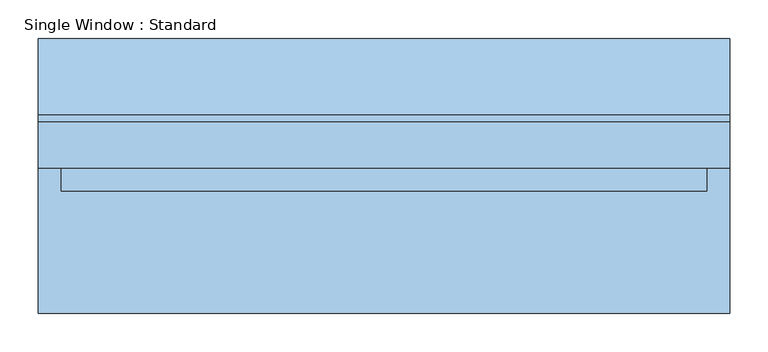
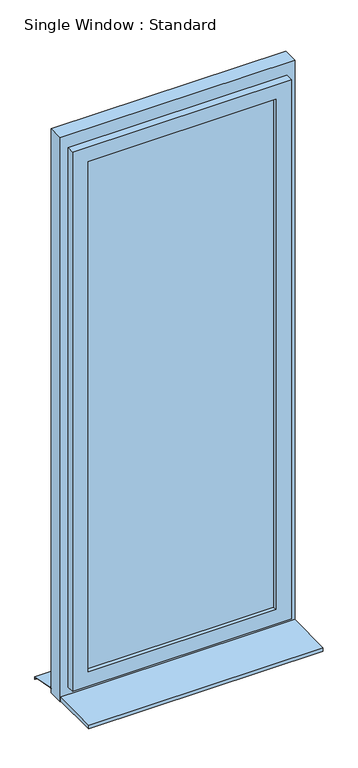
"""IFC4 building model written with IfcOpenShell, lengths in millimetres: window geometry, Single Window : Standard."""

from ifc_helpers import new_model, si_unit, frame, origin, place, context, project, spatial, polyline, outline, extrude, faceted_brep, source, transform, mapped, element, save


def single_window_standard_1a77570d(model_context):
    return source(origin(), model_context, "Body", "SolidModel", [
        extrude(outline(polyline([(362.1708326, -5.0), (-362.1708326, -5.0), (-362.1708326, 25.0), (362.1708326, 25.0), (362.1708326, -5.0)])), frame((0.0, 0.0, 1110.0), z_axis=(0.0, 0.0, 1.0), x_axis=(1.0, 0.0, 0.0)), (0.0, 0.0, 1.0), 2080.0),
        faceted_brep([(422.1708326, 10.0, 3250.0), (422.1708326, -20.0, 3250.0), (422.1708326, -20.0, 1050.0), (422.1708326, 10.0, 1050.0), (392.1708326, 40.0, 3220.0), (392.1708326, 10.0, 3220.0), (392.1708326, 10.0, 1080.0), (392.1708326, 40.0, 1080.0), (362.1708326, -20.0, 3190.0), (362.1708326, 40.0, 3190.0), (362.1708326, 40.0, 1110.0), (362.1708326, -20.0, 1110.0), (-422.1708326, -20.0, 1050.0), (-422.1708326, 10.0, 1050.0), (-392.1708326, 10.0, 1080.0), (-392.1708326, 40.0, 1080.0), (-362.1708326, 40.0, 1110.0), (-362.1708326, -20.0, 1110.0), (-422.1708326, -20.0, 3250.0), (-422.1708326, 10.0, 3250.0), (-392.1708326, 10.0, 3220.0), (-392.1708326, 40.0, 3220.0), (-362.1708326, 40.0, 3190.0), (-362.1708326, -20.0, 3190.0)], [[[0, 1, 2, 3]], [[4, 5, 6, 7]], [[8, 9, 10, 11]], [[3, 2, 12, 13]], [[7, 6, 14, 15]], [[11, 10, 16, 17]], [[13, 12, 18, 19]], [[15, 14, 20, 21]], [[17, 16, 22, 23]], [[19, 18, 1, 0]], [[3, 13, 19, 0], [5, 20, 14, 6]], [[21, 20, 5, 4]], [[7, 15, 21, 4], [9, 22, 16, 10]], [[23, 22, 9, 8]], [[1, 18, 12, 2], [11, 17, 23, 8]]]),
        extrude(outline(polyline([(3300.0, 452.1708326), (3300.0, -452.1708326), (1000.0, -452.1708326), (1000.0, 452.1708326), (3300.0, 452.1708326)]), holes=[polyline([(3220.0, 392.1708326), (1080.0, 392.1708326), (1080.0, -392.1708326), (3220.0, -392.1708326), (3220.0, 392.1708326)])]), frame((0.0, 10.0, 0.0), z_axis=(0.0, 1.0, 0.0), x_axis=(0.0, 0.0, 1.0)), (0.0, 0.0, 1.0), 60.0),
        extrude(outline(polyline([(80.0221543, 1020.0), (180.0, 1000.0), (180.0, 990.0), (178.0, 990.0), (178.0, 998.3604634), (79.8240723, 1018.0), (70.0, 1018.0), (70.0, 1020.0), (80.0221543, 1020.0)])), frame((-452.1708326, 0.0, 0.0), z_axis=(1.0, 0.0, 0.0), x_axis=(0.0, 1.0, 0.0)), (0.0, 0.0, 1.0), 904.3416651),
        extrude(outline(polyline([(-452.1708326, -180.0), (-452.1708326, 10.0), (452.1708326, 10.0), (452.1708326, -180.0), (-452.1708326, -180.0)])), frame((0.0, 0.0, 1005.0), z_axis=(0.0, 0.0, 1.0), x_axis=(1.0, 0.0, 0.0)), (0.0, 0.0, 1.0), 15.0),
    ])


if __name__ == "__main__":
    model = new_model("IFC4")
    model_context = context("Model", 3, world=origin())
    ifc_project = project(units=[si_unit("LENGTHUNIT", "METRE", prefix="MILLI")], contexts=[model_context])
    site = spatial("IfcSite", under=ifc_project)
    building = spatial("IfcBuilding", under=site)
    placement = place(None, origin())
    single_window_standard_shape = single_window_standard_1a77570d(model_context)
    element("IfcWindow", 1, ObjectType="Single Window : Standard", at=placement, inside=building, context=model_context, shape_type="MappedRepresentation", body=[
        mapped(single_window_standard_shape, transform((0.0, 0.0, 0.0), x_axis=(1.0, 0.0, 0.0), y_axis=(0.0, 1.0, 0.0), z_axis=(0.0, 0.0, 1.0))),
    ])
    save(model, "model.ifc")
